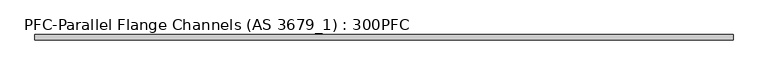
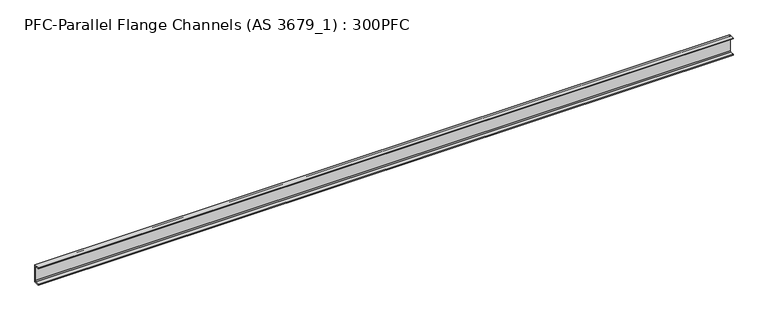
"""IFC4 building model written with IfcOpenShell, lengths in millimetres: beam geometry, PFC-Parallel Flange Channels (AS 3679_1) : 300PFC."""

from ifc_helpers import new_model, si_unit, point, frame, frame_2d, origin, place, context, project, spatial, polyline, circle_curve, trimmed, segment, composite_curve, outline, extrude, source, transform, mapped, element, save


def pfc_parallel_flange_channels_as_3679_1_300pfc_2e87a0e2(model_context):
    return source(origin(), model_context, "Body", "SweptSolid", [
        extrude(outline(composite_curve([segment(polyline([(27.2, 150.0), (27.2, -150.0), (-62.8, -150.0), (-62.8, -134.0), (5.2, -134.0)]), True, "CONTINUOUS"), segment(trimmed(circle_curve(frame_2d((5.2, -120.0)), 14.0), [point((5.2, -134.0))], [point((19.2, -120.0))], True, "CARTESIAN"), True, "CONTINUOUS"), segment(polyline([(19.2, -120.0), (19.2, 120.0)]), True, "CONTINUOUS"), segment(trimmed(circle_curve(frame_2d((5.2, 120.0)), 14.0), [point((19.2, 120.0))], [point((5.2, 134.0))], True, "CARTESIAN"), True, "CONTINUOUS"), segment(polyline([(5.2, 134.0), (-62.8, 134.0), (-62.8, 150.0), (27.2, 150.0)]), True, "CONTINUOUS")], self_intersect=False)), frame((-5681.1, 0.0, 0.0), z_axis=(1.0, 0.0, 0.0), x_axis=(0.0, 1.0, 0.0)), (0.0, 0.0, 1.0), 11362.2),
    ])


if __name__ == "__main__":
    model = new_model("IFC4")
    model_context = context("Model", 3, world=origin())
    ifc_project = project(units=[si_unit("LENGTHUNIT", "METRE", prefix="MILLI")], contexts=[model_context])
    site = spatial("IfcSite", under=ifc_project)
    building = spatial("IfcBuilding", under=site)
    placement = place(None, origin())
    pfc_parallel_flange_channels_as_3679_1_300pfc_shape = pfc_parallel_flange_channels_as_3679_1_300pfc_2e87a0e2(model_context)
    element("IfcBeam", 1, ObjectType="PFC-Parallel Flange Channels (AS 3679_1) : 300PFC", at=placement, inside=building, context=model_context, shape_type="MappedRepresentation", body=[
        mapped(pfc_parallel_flange_channels_as_3679_1_300pfc_shape, transform((0.0, 0.0, 0.0), x_axis=(1.0, 0.0, 0.0), y_axis=(0.0, 1.0, 0.0), z_axis=(0.0, 0.0, 1.0))),
    ])
    save(model, "model.ifc")
